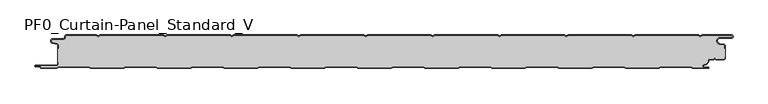
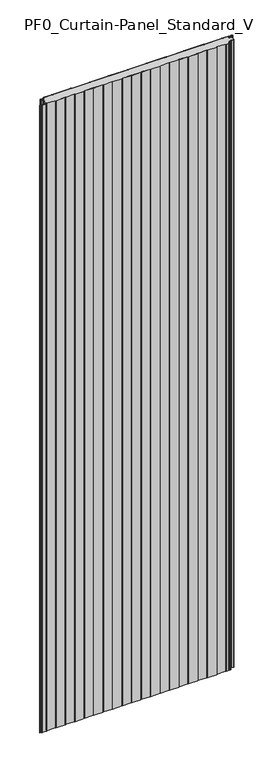
"""IFC4 building model written with IfcOpenShell, lengths in millimetres: plate geometry, PF0_Curtain-Panel_Standard_V."""

from ifc_helpers import new_model, si_unit, point, frame_2d, origin, origin_with_axes, place, context, project, spatial, polyline, circle_curve, trimmed, segment, composite_curve, outline, extrude, source, transform, mapped, element, save


def pf0_curtain_panel_standard_v_347e92e8(model_context):
    return source(origin(), model_context, "Body", "SweptSolid", [
        extrude(outline(composite_curve([segment(trimmed(circle_curve(frame_2d((-502.0, -15.878557)), 2.0), [point((-500.0, -15.878557))], [point((-501.5500978, -13.9298169))], True, "CARTESIAN"), True, "CONTINUOUS"), segment(polyline([(-501.5500978, -13.9298169), (-507.7098239, -12.507732)]), True, "CONTINUOUS"), segment(trimmed(circle_curve(frame_2d((-506.9, -9.0)), 3.6), [point((-507.7098239, -12.507732))], [point((-506.9, -5.4))], False, "CARTESIAN"), True, "CONTINUOUS"), segment(polyline([(-506.9, -5.4), (-491.4, -5.4)]), True, "CONTINUOUS"), segment(trimmed(circle_curve(frame_2d((-491.4, -3.4)), 2.0), [point((-491.4, -5.4))], [point((-489.4, -3.4))], True, "CARTESIAN"), True, "CONTINUOUS"), segment(polyline([(-489.4, -3.4), (-489.4, -2.0)]), True, "CONTINUOUS"), segment(trimmed(circle_curve(frame_2d((-487.4, -2.0)), 2.0), [point((-489.4, -2.0))], [point((-487.4, 0.0))], False, "CARTESIAN"), True, "CONTINUOUS"), segment(polyline([(-487.4, 0.0), (-442.0999995, 0.0), (-439.4, -1.5588455), (-436.7000005, 0.0), (-342.0999995, 0.0), (-339.4, -1.5588455), (-336.7000005, 0.0), (-242.0999995, 0.0), (-239.4, -1.5588455), (-236.7000005, 0.0), (-142.0999995, 0.0), (-139.4, -1.5588455), (-136.7000005, 0.0), (-42.0999995, 0.0), (-39.4, -1.5588455), (-36.7000005, 0.0), (57.9000005, 0.0), (60.6, -1.5588455), (63.2999995, 0.0), (157.9000005, 0.0), (160.6, -1.5588455), (163.2999995, 0.0), (257.9000005, 0.0), (260.6, -1.5588455), (263.2999995, 0.0), (357.9000005, 0.0), (360.6, -1.5588455), (363.2999995, 0.0), (457.9000005, 0.0), (460.6, -1.5588455), (463.2999995, 0.0), (507.268846, 0.0)]), True, "CONTINUOUS"), segment(trimmed(circle_curve(frame_2d((507.268846, -2.5)), 2.5), [point((507.268846, 0.0))], [point((507.268846, -5.0))], False, "CARTESIAN"), True, "CONTINUOUS"), segment(polyline([(507.268846, -5.0), (490.268846, -5.0)]), True, "CONTINUOUS"), segment(trimmed(circle_curve(frame_2d((490.268846, -9.0)), 4.0), [point((490.268846, -5.0))], [point((489.574253, -12.939231))], True, "CARTESIAN"), True, "CONTINUOUS"), segment(polyline([(489.574253, -12.939231), (496.0203315, -14.0758491)]), True, "CONTINUOUS"), segment(trimmed(circle_curve(frame_2d((495.568846, -16.6363492)), 2.6), [point((496.0203315, -14.0758491))], [point((498.168846, -16.6363492))], False, "CARTESIAN"), True, "CONTINUOUS"), segment(polyline([(498.168846, -16.6363492), (498.168846, -20.0), (497.368846, -20.0), (497.368846, -16.6363492)]), True, "CONTINUOUS"), segment(trimmed(circle_curve(frame_2d((495.568846, -16.6363492)), 1.8), [point((497.368846, -16.6363492))], [point((495.8814129, -14.8636953))], True, "CARTESIAN"), True, "CONTINUOUS"), segment(polyline([(495.8814129, -14.8636953), (489.4353344, -13.7270772)]), True, "CONTINUOUS"), segment(trimmed(circle_curve(frame_2d((490.268846, -9.0)), 4.8), [point((489.4353344, -13.7270772))], [point((490.268846, -4.2))], False, "CARTESIAN"), True, "CONTINUOUS"), segment(polyline([(490.268846, -4.2), (507.268846, -4.2)]), True, "CONTINUOUS"), segment(trimmed(circle_curve(frame_2d((507.268846, -2.5)), 1.7), [point((507.268846, -4.2))], [point((507.268846, -0.8))], True, "CARTESIAN"), True, "CONTINUOUS"), segment(polyline([(507.268846, -0.8), (463.5143588, -0.8), (460.6, -2.482606), (457.6856412, -0.8), (363.5143588, -0.8), (360.6, -2.482606), (357.6856412, -0.8), (263.5143588, -0.8), (260.6, -2.482606), (257.6856412, -0.8), (163.5143588, -0.8), (160.6, -2.482606), (157.6856412, -0.8), (63.5143588, -0.8), (60.6, -2.482606), (57.6856412, -0.8), (-36.4856412, -0.8), (-39.4, -2.482606), (-42.3143588, -0.8), (-136.4856412, -0.8), (-139.4, -2.482606), (-142.3143588, -0.8), (-236.4856412, -0.8), (-239.4, -2.482606), (-242.3143588, -0.8), (-336.4856412, -0.8), (-339.4, -2.482606), (-342.3143588, -0.8), (-436.4856412, -0.8), (-439.4, -2.482606), (-442.3143588, -0.8), (-487.4, -0.8)]), True, "CONTINUOUS"), segment(trimmed(circle_curve(frame_2d((-487.4, -2.0)), 1.2), [point((-487.4, -0.8))], [point((-488.6, -2.0))], True, "CARTESIAN"), True, "CONTINUOUS"), segment(polyline([(-488.6, -2.0), (-488.6, -3.4)]), True, "CONTINUOUS"), segment(trimmed(circle_curve(frame_2d((-491.4, -3.4)), 2.8), [point((-488.6, -3.4))], [point((-491.4, -6.2))], False, "CARTESIAN"), True, "CONTINUOUS"), segment(polyline([(-491.4, -6.2), (-506.9, -6.2)]), True, "CONTINUOUS"), segment(trimmed(circle_curve(frame_2d((-506.9, -9.0)), 2.8), [point((-506.9, -6.2))], [point((-507.529863, -11.7282362))], True, "CARTESIAN"), True, "CONTINUOUS"), segment(polyline([(-507.529863, -11.7282362), (-501.370137, -13.150321)]), True, "CONTINUOUS"), segment(trimmed(circle_curve(frame_2d((-502.0, -15.878557)), 2.8), [point((-501.370137, -13.150321))], [point((-499.2, -15.878557))], False, "CARTESIAN"), True, "CONTINUOUS"), segment(polyline([(-499.2, -15.878557), (-499.2, -20.0), (-500.0, -20.0), (-500.0, -15.878557)]), True, "CONTINUOUS")], self_intersect=False)), origin_with_axes(), (0.0, 0.0, 1.0), 3500.0),
        extrude(outline(composite_curve([segment(polyline([(-499.2, -40.0), (-500.0, -40.0), (-500.0, -20.0), (-499.2, -20.0), (-499.2, -15.878557)]), True, "CONTINUOUS"), segment(trimmed(circle_curve(frame_2d((-502.0, -15.878557)), 2.8), [point((-499.2, -15.878557))], [point((-501.370137, -13.1503208))], True, "CARTESIAN"), True, "CONTINUOUS"), segment(polyline([(-501.370137, -13.1503208), (-507.529863, -11.7282362)]), True, "CONTINUOUS"), segment(trimmed(circle_curve(frame_2d((-506.9, -9.0)), 2.8), [point((-507.529863, -11.7282362))], [point((-506.9, -6.2))], False, "CARTESIAN"), True, "CONTINUOUS"), segment(polyline([(-506.9, -6.2), (-491.4, -6.2)]), True, "CONTINUOUS"), segment(trimmed(circle_curve(frame_2d((-491.4, -3.4)), 2.8), [point((-491.4, -6.2))], [point((-488.6, -3.4))], True, "CARTESIAN"), True, "CONTINUOUS"), segment(polyline([(-488.6, -3.4), (-488.6, -2.0)]), True, "CONTINUOUS"), segment(trimmed(circle_curve(frame_2d((-487.4, -2.0)), 1.2), [point((-488.6, -2.0))], [point((-487.4, -0.8))], False, "CARTESIAN"), True, "CONTINUOUS"), segment(polyline([(-487.4, -0.8), (-442.3143588, -0.8), (-439.4, -2.482606), (-436.4856412, -0.8), (-342.3143588, -0.8), (-339.4, -2.482606), (-336.4856412, -0.8), (-242.3143588, -0.8), (-239.4, -2.482606), (-236.4856412, -0.8), (-142.3143588, -0.8), (-139.4, -2.482606), (-136.4856412, -0.8), (-42.3143588, -0.8), (-39.4, -2.482606), (-36.4856412, -0.8), (57.6856412, -0.8), (60.6, -2.482606), (63.5143588, -0.8), (157.6856412, -0.8), (160.6, -2.482606), (163.5143588, -0.8), (257.6856412, -0.8), (260.6, -2.482606), (263.5143588, -0.8), (357.6856412, -0.8), (360.6, -2.482606), (363.5143588, -0.8), (457.6856412, -0.8), (460.6, -2.482606), (463.5143588, -0.8), (507.268846, -0.8)]), True, "CONTINUOUS"), segment(trimmed(circle_curve(frame_2d((507.268846, -2.5)), 1.7), [point((507.268846, -0.8))], [point((507.268846, -4.2))], False, "CARTESIAN"), True, "CONTINUOUS"), segment(polyline([(507.268846, -4.2), (490.268846, -4.2)]), True, "CONTINUOUS"), segment(trimmed(circle_curve(frame_2d((490.268846, -9.0)), 4.8), [point((490.268846, -4.2))], [point((489.4353344, -13.7270772))], True, "CARTESIAN"), True, "CONTINUOUS"), segment(polyline([(489.4353344, -13.7270772), (495.8814129, -14.8636953)]), True, "CONTINUOUS"), segment(trimmed(circle_curve(frame_2d((495.568846, -16.6363492)), 1.8), [point((495.8814129, -14.8636953))], [point((497.368846, -16.6363492))], False, "CARTESIAN"), True, "CONTINUOUS"), segment(polyline([(497.368846, -16.6363492), (497.368846, -20.0), (498.168846, -20.0), (498.168846, -33.0), (497.368846, -33.0), (497.368846, -34.4)]), True, "CONTINUOUS"), segment(trimmed(circle_curve(frame_2d((495.568846, -34.4)), 1.8), [point((497.368846, -34.4))], [point((495.568846, -36.2))], False, "CARTESIAN"), True, "CONTINUOUS"), segment(polyline([(495.568846, -36.2), (484.0002158, -36.2), (482.168846, -34.3686285), (480.3374762, -36.2), (474.168846, -36.2)]), True, "CONTINUOUS"), segment(trimmed(circle_curve(frame_2d((474.168846, -38.0)), 1.8), [point((474.168846, -36.2))], [point((472.368846, -38.0))], True, "CARTESIAN"), True, "CONTINUOUS"), segment(polyline([(472.368846, -38.0), (472.368846, -38.8276204)]), True, "CONTINUOUS"), segment(trimmed(circle_curve(frame_2d((466.9964664, -38.8276204)), 5.3723796), [point((472.368846, -38.8276204))], [point((466.9964664, -44.2))], False, "CARTESIAN"), True, "CONTINUOUS"), segment(polyline([(466.9964664, -44.2), (466.168846, -44.2)]), True, "CONTINUOUS"), segment(trimmed(circle_curve(frame_2d((466.168846, -46.4)), 2.2), [point((466.168846, -44.2))], [point((466.168846, -48.6))], True, "CARTESIAN"), True, "CONTINUOUS"), segment(polyline([(466.168846, -48.6), (472.0579973, -48.6)]), True, "CONTINUOUS"), segment(trimmed(circle_curve(frame_2d((472.0579973, -48.9)), 0.3), [point((472.0579973, -48.6))], [point((472.0579973, -49.2))], False, "CARTESIAN"), True, "CONTINUOUS"), segment(polyline([(472.0579973, -49.2), (449.2152562, -49.2), (446.6171786, -47.7), (401.3884624, -47.7), (398.7903848, -49.2), (349.2152562, -49.2), (346.6171786, -47.7), (301.3884624, -47.7), (298.7903848, -49.2), (249.2152562, -49.2), (246.6171786, -47.7), (201.3884624, -47.7), (198.7903848, -49.2), (149.2152562, -49.2), (146.6171786, -47.7), (101.3884624, -47.7), (98.7903848, -49.2), (49.2152562, -49.2), (46.6171786, -47.7), (1.3884624, -47.7), (-1.2096152, -49.2), (-50.7847438, -49.2), (-53.3828214, -47.7), (-98.6115376, -47.7), (-101.2096152, -49.2), (-150.7847438, -49.2), (-153.3828214, -47.7), (-198.6115376, -47.7), (-201.2096152, -49.2), (-250.7847438, -49.2), (-253.3828214, -47.7), (-298.6115376, -47.7), (-301.2096152, -49.2), (-350.7847438, -49.2), (-353.3828214, -47.7), (-398.6115376, -47.7), (-401.2096152, -49.2), (-450.7847438, -49.2), (-453.3828214, -47.7), (-498.6115376, -47.7), (-501.2096152, -49.2), (-524.4, -49.2)]), True, "CONTINUOUS"), segment(trimmed(circle_curve(frame_2d((-524.4, -48.4)), 0.8), [point((-524.4, -49.2))], [point((-525.2, -48.4))], False, "CARTESIAN"), True, "CONTINUOUS"), segment(trimmed(circle_curve(frame_2d((-526.9, -48.6133333)), 1.7133333), [point((-525.2, -48.4))], [point((-526.9, -46.9))], True, "CARTESIAN"), True, "CONTINUOUS"), segment(polyline([(-526.9, -46.9), (-532.8700312, -46.9)]), True, "CONTINUOUS"), segment(trimmed(circle_curve(frame_2d((-532.8700312, -46.6)), 0.3), [point((-532.8700312, -46.9))], [point((-532.8700312, -46.3))], False, "CARTESIAN"), True, "CONTINUOUS"), segment(polyline([(-532.8700312, -46.3), (-502.0, -46.3)]), True, "CONTINUOUS"), segment(trimmed(circle_curve(frame_2d((-502.0, -43.5)), 2.8), [point((-502.0, -46.3))], [point((-499.2, -43.5))], True, "CARTESIAN"), True, "CONTINUOUS"), segment(polyline([(-499.2, -43.5), (-499.2, -40.0)]), True, "CONTINUOUS")], self_intersect=False)), origin_with_axes(), (0.0, 0.0, 1.0), 3500.0),
        extrude(outline(composite_curve([segment(polyline([(-500.0, -40.0), (-499.2, -40.0), (-499.2, -43.5)]), True, "CONTINUOUS"), segment(trimmed(circle_curve(frame_2d((-502.0, -43.5)), 2.8), [point((-499.2, -43.5))], [point((-502.0, -46.3))], False, "CARTESIAN"), True, "CONTINUOUS"), segment(polyline([(-502.0, -46.3), (-532.8700312, -46.3)]), True, "CONTINUOUS"), segment(trimmed(circle_curve(frame_2d((-532.8700312, -46.6)), 0.3), [point((-532.8700312, -46.3))], [point((-532.8700312, -46.9))], True, "CARTESIAN"), True, "CONTINUOUS"), segment(polyline([(-532.8700312, -46.9), (-526.9, -46.9)]), True, "CONTINUOUS"), segment(trimmed(circle_curve(frame_2d((-526.9, -48.6133333)), 1.7133333), [point((-526.9, -46.9))], [point((-525.2, -48.4))], False, "CARTESIAN"), True, "CONTINUOUS"), segment(trimmed(circle_curve(frame_2d((-524.4, -48.4)), 0.8), [point((-525.2, -48.4))], [point((-524.4, -49.2))], True, "CARTESIAN"), True, "CONTINUOUS"), segment(polyline([(-524.4, -49.2), (-501.2096152, -49.2), (-498.6115376, -47.7), (-453.3828214, -47.7), (-450.7847438, -49.2), (-401.2096152, -49.2), (-398.6115376, -47.7), (-353.3828214, -47.7), (-350.7847438, -49.2), (-301.2096152, -49.2), (-298.6115376, -47.7), (-253.3828214, -47.7), (-250.7847438, -49.2), (-201.2096152, -49.2), (-198.6115376, -47.7), (-153.3828214, -47.7), (-150.7847438, -49.2), (-101.2096152, -49.2), (-98.6115376, -47.7), (-53.3828214, -47.7), (-50.7847438, -49.2), (-1.2096152, -49.2), (1.3884624, -47.7), (46.6171786, -47.7), (49.2152562, -49.2), (98.7903848, -49.2), (101.3884624, -47.7), (146.6171786, -47.7), (149.2152562, -49.2), (198.7903848, -49.2), (201.3884624, -47.7), (246.6171786, -47.7), (249.2152562, -49.2), (298.7903848, -49.2), (301.3884624, -47.7), (346.6171786, -47.7), (349.2152562, -49.2), (398.7903848, -49.2), (401.3884624, -47.7), (446.6171786, -47.7), (449.2152562, -49.2), (472.0579973, -49.2)]), True, "CONTINUOUS"), segment(trimmed(circle_curve(frame_2d((472.0579973, -48.9)), 0.3), [point((472.0579973, -49.2))], [point((472.0579973, -48.6))], True, "CARTESIAN"), True, "CONTINUOUS"), segment(polyline([(472.0579973, -48.6), (466.168846, -48.6)]), True, "CONTINUOUS"), segment(trimmed(circle_curve(frame_2d((466.168846, -46.4)), 2.2), [point((466.168846, -48.6))], [point((466.168846, -44.2))], False, "CARTESIAN"), True, "CONTINUOUS"), segment(polyline([(466.168846, -44.2), (466.9964664, -44.2)]), True, "CONTINUOUS"), segment(trimmed(circle_curve(frame_2d((466.9964664, -38.8276204)), 5.3723796), [point((466.9964664, -44.2))], [point((472.368846, -38.8276204))], True, "CARTESIAN"), True, "CONTINUOUS"), segment(polyline([(472.368846, -38.8276204), (472.368846, -38.0)]), True, "CONTINUOUS"), segment(trimmed(circle_curve(frame_2d((474.168846, -38.0)), 1.8), [point((472.368846, -38.0))], [point((474.168846, -36.2))], False, "CARTESIAN"), True, "CONTINUOUS"), segment(polyline([(474.168846, -36.2), (480.3374762, -36.2), (482.168846, -34.3686285), (484.0002158, -36.2), (495.568846, -36.2)]), True, "CONTINUOUS"), segment(trimmed(circle_curve(frame_2d((495.568846, -34.4)), 1.8), [point((495.568846, -36.2))], [point((497.368846, -34.4))], True, "CARTESIAN"), True, "CONTINUOUS"), segment(polyline([(497.368846, -34.4), (497.368846, -33.0), (498.168846, -33.0), (498.168846, -34.4)]), True, "CONTINUOUS"), segment(trimmed(circle_curve(frame_2d((495.568846, -34.4)), 2.6), [point((498.168846, -34.4))], [point((495.568846, -37.0))], False, "CARTESIAN"), True, "CONTINUOUS"), segment(polyline([(495.568846, -37.0), (483.6688448, -37.0), (482.168846, -35.4999999), (480.6688472, -37.0), (474.168846, -37.0)]), True, "CONTINUOUS"), segment(trimmed(circle_curve(frame_2d((474.168846, -38.0)), 1.0), [point((474.168846, -37.0))], [point((473.168846, -38.0))], True, "CARTESIAN"), True, "CONTINUOUS"), segment(polyline([(473.168846, -38.0), (473.168846, -38.8276204)]), True, "CONTINUOUS"), segment(trimmed(circle_curve(frame_2d((466.9964664, -38.8276204)), 6.1723796), [point((473.168846, -38.8276204))], [point((466.9964664, -45.0))], False, "CARTESIAN"), True, "CONTINUOUS"), segment(polyline([(466.9964664, -45.0), (466.168846, -45.0)]), True, "CONTINUOUS"), segment(trimmed(circle_curve(frame_2d((466.168846, -46.5)), 1.5), [point((466.168846, -45.0))], [point((466.168846, -48.0))], True, "CARTESIAN"), True, "CONTINUOUS"), segment(polyline([(466.168846, -48.0), (472.168846, -48.0)]), True, "CONTINUOUS"), segment(trimmed(circle_curve(frame_2d((472.168846, -49.0)), 1.0), [point((472.168846, -48.0))], [point((472.168846, -50.0))], False, "CARTESIAN"), True, "CONTINUOUS"), segment(polyline([(472.168846, -50.0), (449.0008969, -50.0), (446.4028193, -48.5), (401.6028217, -48.5), (399.0047441, -50.0), (349.0008969, -50.0), (346.4028193, -48.5), (301.6028217, -48.5), (299.0047441, -50.0), (249.0008969, -50.0), (246.4028193, -48.5), (201.6028217, -48.5), (199.0047441, -50.0), (149.0008969, -50.0), (146.4028193, -48.5), (101.6028217, -48.5), (99.0047441, -50.0), (49.0008969, -50.0), (46.4028193, -48.5), (1.6028217, -48.5), (-0.9952559, -50.0), (-50.9991031, -50.0), (-53.5971807, -48.5), (-98.3971783, -48.5), (-100.9952559, -50.0), (-150.9991031, -50.0), (-153.5971807, -48.5), (-198.3971783, -48.5), (-200.9952559, -50.0), (-250.9991031, -50.0), (-253.5971807, -48.5), (-298.3971783, -48.5), (-300.9952559, -50.0), (-350.9991031, -50.0), (-353.5971807, -48.5), (-398.3971783, -48.5), (-400.9952559, -50.0), (-450.9991031, -50.0), (-453.5971807, -48.5), (-498.3971783, -48.5), (-500.9952559, -50.0), (-524.4, -50.0)]), True, "CONTINUOUS"), segment(trimmed(circle_curve(frame_2d((-524.4, -48.4)), 1.6), [point((-524.4, -50.0))], [point((-526.0, -48.4))], False, "CARTESIAN"), True, "CONTINUOUS"), segment(trimmed(circle_curve(frame_2d((-526.9, -48.4)), 0.9), [point((-526.0, -48.4))], [point((-526.9, -47.5))], True, "CARTESIAN"), True, "CONTINUOUS"), segment(polyline([(-526.9, -47.5), (-533.0, -47.5)]), True, "CONTINUOUS"), segment(trimmed(circle_curve(frame_2d((-533.0, -46.5)), 1.0), [point((-533.0, -47.5))], [point((-533.0, -45.5))], False, "CARTESIAN"), True, "CONTINUOUS"), segment(polyline([(-533.0, -45.5), (-502.0, -45.5)]), True, "CONTINUOUS"), segment(trimmed(circle_curve(frame_2d((-502.0, -43.5)), 2.0), [point((-502.0, -45.5))], [point((-500.0, -43.5))], True, "CARTESIAN"), True, "CONTINUOUS"), segment(polyline([(-500.0, -43.5), (-500.0, -40.0)]), True, "CONTINUOUS")], self_intersect=False)), origin_with_axes(), (0.0, 0.0, 1.0), 3500.0),
    ])


if __name__ == "__main__":
    model = new_model("IFC4")
    model_context = context("Model", 3, world=origin())
    ifc_project = project(units=[si_unit("LENGTHUNIT", "METRE", prefix="MILLI")], contexts=[model_context])
    site = spatial("IfcSite", under=ifc_project)
    building = spatial("IfcBuilding", under=site)
    placement = place(None, origin())
    pf0_curtain_panel_standard_v_shape = pf0_curtain_panel_standard_v_347e92e8(model_context)
    element("IfcPlate", 1, ObjectType="PF0_Curtain-Panel_Standard_V", at=placement, inside=building, context=model_context, shape_type="MappedRepresentation", body=[
        mapped(pf0_curtain_panel_standard_v_shape, transform((0.0, 0.0, 0.0), x_axis=(1.0, 0.0, 0.0), y_axis=(0.0, 1.0, 0.0), z_axis=(0.0, 0.0, 1.0))),
    ])
    save(model, "model.ifc")
